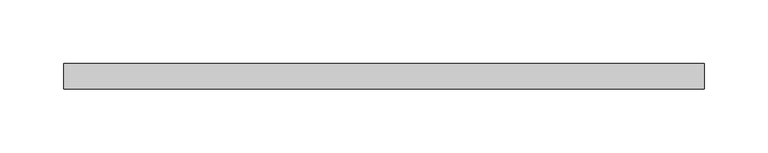
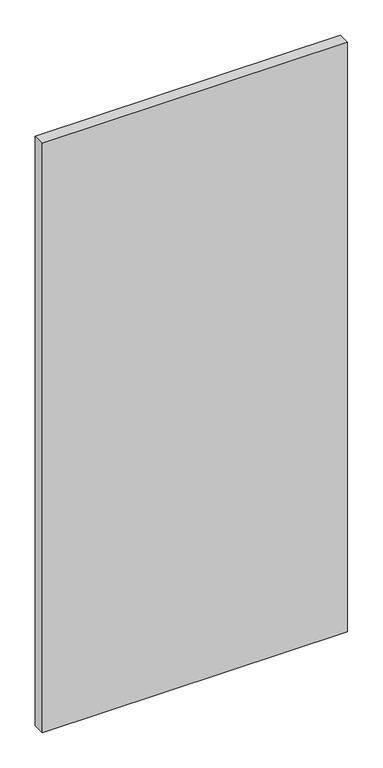
"""IFC4 building model written with IfcOpenShell, lengths in millimetres: plate geometry."""

from ifc_helpers import new_model, si_unit, origin, origin_with_axes, place, context, project, spatial, polyline, outline, extrude, source, transform, mapped, element, save


def plate_038ab351(model_context):
    return source(origin(), model_context, "Body", "SweptSolid", [
        extrude(outline(polyline([(251.4799639, 20.0), (-251.4799639, 20.0), (-251.4799639, 40.0), (251.4799639, 40.0), (251.4799639, 20.0)])), origin_with_axes(), (0.0, 0.0, 1.0), 1025.0),
    ])


if __name__ == "__main__":
    model = new_model("IFC4")
    model_context = context("Model", 3, world=origin())
    ifc_project = project(units=[si_unit("LENGTHUNIT", "METRE", prefix="MILLI")], contexts=[model_context])
    site = spatial("IfcSite", under=ifc_project)
    building = spatial("IfcBuilding", under=site)
    placement = place(None, origin())
    plate_shape = plate_038ab351(model_context)
    element("IfcPlate", 1, at=placement, inside=building, context=model_context, shape_type="MappedRepresentation", body=[
        mapped(plate_shape, transform((0.0, 0.0, 0.0), x_axis=(1.0, 0.0, 0.0), y_axis=(0.0, 1.0, 0.0), z_axis=(0.0, 0.0, 1.0))),
    ])
    save(model, "model.ifc")
